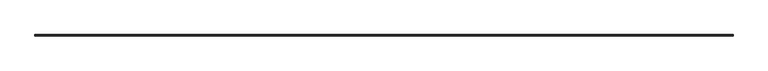
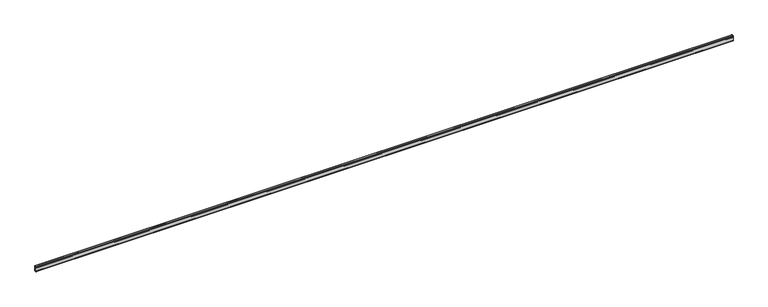
"""IFC4 building model written with IfcOpenShell, lengths in millimetres: railing geometry."""

from ifc_helpers import new_model, si_unit, point, frame, frame_2d, origin, place, context, project, spatial, polyline, circle_curve, trimmed, segment, composite_curve, outline, extrude, source, transform, mapped, element, save


def railing_b8a4c59b(model_context):
    return source(origin(), model_context, "Body", "SweptSolid", [
        extrude(outline(composite_curve([segment(polyline([(48355.8695318, 708.152), (48355.8695318, 692.15), (48354.3455318, 692.15), (48354.3455318, 708.025)]), True, "CONTINUOUS"), segment(trimmed(circle_curve(frame_2d((48357.5205318, 708.025)), 3.175), [point((48354.3455318, 708.025))], [point((48357.5205318, 711.2))], False, "CARTESIAN"), True, "CONTINUOUS"), segment(polyline([(48357.5205318, 711.2), (48389.2705318, 711.2)]), True, "CONTINUOUS"), segment(trimmed(circle_curve(frame_2d((48389.2705318, 708.025)), 3.175), [point((48389.2705318, 711.2))], [point((48392.4455318, 708.025))], False, "CARTESIAN"), True, "CONTINUOUS"), segment(polyline([(48392.4455318, 708.025), (48392.4455318, 651.5759408)]), True, "CONTINUOUS"), segment(trimmed(circle_curve(frame_2d((48390.9215318, 651.5759408)), 1.524), [point((48392.4455318, 651.5759408))], [point((48391.9133379, 650.4188338))], False, "CARTESIAN"), True, "CONTINUOUS"), segment(polyline([(48391.9133379, 650.4188338), (48382.68299, 642.5071071)]), True, "CONTINUOUS"), segment(trimmed(circle_curve(frame_2d((48383.6747961, 641.35)), 1.524), [point((48382.68299, 642.5071071))], [point((48382.68299, 640.192893))], True, "CARTESIAN"), True, "CONTINUOUS"), segment(polyline([(48382.68299, 640.192893), (48391.9133379, 632.2811662)]), True, "CONTINUOUS"), segment(trimmed(circle_curve(frame_2d((48390.9215318, 631.1240592)), 1.524), [point((48391.9133379, 632.2811662))], [point((48392.4455318, 631.1240592))], False, "CARTESIAN"), True, "CONTINUOUS"), segment(polyline([(48392.4455318, 631.1240592), (48392.4455318, 574.675)]), True, "CONTINUOUS"), segment(trimmed(circle_curve(frame_2d((48389.2705318, 574.675)), 3.175), [point((48392.4455318, 574.675))], [point((48389.2705318, 571.5))], False, "CARTESIAN"), True, "CONTINUOUS"), segment(polyline([(48389.2705318, 571.5), (48357.5205318, 571.5)]), True, "CONTINUOUS"), segment(trimmed(circle_curve(frame_2d((48357.5205318, 574.675)), 3.175), [point((48357.5205318, 571.5))], [point((48354.3455318, 574.675))], False, "CARTESIAN"), True, "CONTINUOUS"), segment(polyline([(48354.3455318, 574.675), (48354.3455318, 590.55), (48355.8695318, 590.55), (48355.8695318, 574.548)]), True, "CONTINUOUS"), segment(trimmed(circle_curve(frame_2d((48357.3935318, 574.548)), 1.524), [point((48355.8695318, 574.548))], [point((48357.3935318, 573.024))], True, "CARTESIAN"), True, "CONTINUOUS"), segment(polyline([(48357.3935318, 573.024), (48389.3975318, 573.024)]), True, "CONTINUOUS"), segment(trimmed(circle_curve(frame_2d((48389.3975318, 574.548)), 1.524), [point((48389.3975318, 573.024))], [point((48390.9215318, 574.548))], True, "CARTESIAN"), True, "CONTINUOUS"), segment(polyline([(48390.9215318, 574.548), (48390.9215318, 631.1240592), (48381.8036805, 638.9393603)]), True, "CONTINUOUS"), segment(trimmed(circle_curve(frame_2d((48383.8699431, 641.35)), 3.175), [point((48381.8036805, 638.9393603))], [point((48381.8036805, 643.7606397))], False, "CARTESIAN"), True, "CONTINUOUS"), segment(polyline([(48381.8036805, 643.7606397), (48390.9215318, 651.5759408), (48390.9215318, 708.152)]), True, "CONTINUOUS"), segment(trimmed(circle_curve(frame_2d((48389.3975318, 708.152)), 1.524), [point((48390.9215318, 708.152))], [point((48389.3975318, 709.676))], True, "CARTESIAN"), True, "CONTINUOUS"), segment(polyline([(48389.3975318, 709.676), (48357.3935318, 709.676)]), True, "CONTINUOUS"), segment(trimmed(circle_curve(frame_2d((48357.3935318, 708.152)), 1.524), [point((48357.3935318, 709.676))], [point((48355.8695318, 708.152))], True, "CARTESIAN"), True, "CONTINUOUS")], self_intersect=False)), frame((31170.4663719, 0.0, 0.0), z_axis=(1.0, 0.0, 0.0), x_axis=(0.0, 1.0, 0.0)), (0.0, 0.0, 1.0), 18288.0),
        extrude(outline(composite_curve([segment(polyline([(48379.3649552, 569.897237), (48355.8530687, 569.897237)]), True, "CONTINUOUS"), segment(trimmed(circle_curve(frame_2d((48355.8530687, 573.072237)), 3.175), [point((48355.8530687, 569.897237))], [point((48352.6780687, 573.072237))], False, "CARTESIAN"), True, "CONTINUOUS"), segment(polyline([(48352.6780687, 573.072237), (48352.6780687, 678.1867316), (48355.9739328, 685.254735), (48355.9739328, 701.6097978), (48357.4814868, 701.6097978), (48357.4814868, 685.254735), (48354.1856227, 678.1867316), (48354.1856227, 572.9287909)]), True, "CONTINUOUS"), segment(trimmed(circle_curve(frame_2d((48355.7096227, 572.9287909)), 1.524), [point((48354.1856227, 572.9287909))], [point((48355.7096227, 571.4047909))], True, "CARTESIAN"), True, "CONTINUOUS"), segment(polyline([(48355.7096227, 571.4047909), (48379.3649552, 571.4047909), (48379.3649552, 569.897237)]), True, "CONTINUOUS")], self_intersect=False)), frame((31170.4663719, 0.0, 0.0), z_axis=(1.0, 0.0, 0.0), x_axis=(0.0, 1.0, 0.0)), (0.0, 0.0, 1.0), 18288.0),
    ])


if __name__ == "__main__":
    model = new_model("IFC4")
    model_context = context("Model", 3, world=origin())
    ifc_project = project(units=[si_unit("LENGTHUNIT", "METRE", prefix="MILLI")], contexts=[model_context])
    site = spatial("IfcSite", under=ifc_project)
    building = spatial("IfcBuilding", under=site)
    placement = place(None, origin())
    railing_shape = railing_b8a4c59b(model_context)
    element("IfcRailing", 1, at=placement, inside=building, context=model_context, shape_type="MappedRepresentation", body=[
        mapped(railing_shape, transform((0.0, 0.0, 0.0), x_axis=(1.0, 0.0, 0.0), y_axis=(0.0, 1.0, 0.0), z_axis=(0.0, 0.0, 1.0))),
    ])
    save(model, "model.ifc")
